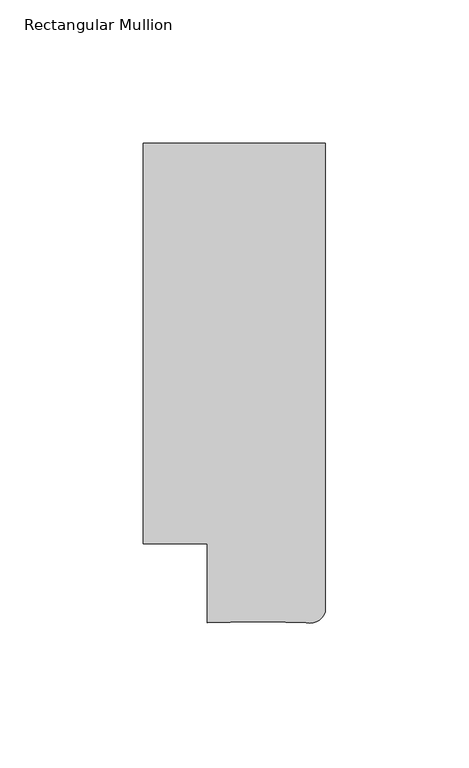
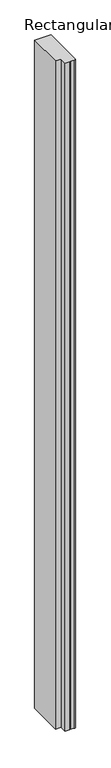
"""IFC4 building model written with IfcOpenShell, lengths in millimetres: member geometry, Rectangular Mullion."""

from ifc_helpers import new_model, si_unit, point, frame, frame_2d, origin, place, context, project, spatial, polyline, circle_curve, trimmed, segment, composite_curve, outline, extrude, source, transform, mapped, element, save


def rectangular_mullion_c765a6d6(model_context):
    return source(origin(), model_context, "Body", "SweptSolid", [
        extrude(outline(composite_curve([segment(polyline([(-63.5, 139.6929896), (0.0, 139.6929896), (0.0, -23.8060059)]), True, "CONTINUOUS"), segment(trimmed(circle_curve(frame_2d((-5.5577367, -21.727811)), 5.9335766), [point((0.0, -23.8060059))], [point((-6.6765587, -27.5549516))], False, "CARTESIAN"), True, "CONTINUOUS"), segment(polyline([(-6.6765587, -27.5549516), (-21.1935714, -27.1215126), (-24.990061, -27.1215126), (-41.2794957, -27.5669145), (-41.2794957, -0.0070054), (-63.5, -0.0070054), (-63.5, 139.6929896)]), True, "CONTINUOUS")], self_intersect=False)), frame((0.0, 0.0, -2742.8456018), z_axis=(0.0, 0.0, 1.0), x_axis=(1.0, 0.0, 0.0)), (0.0, 0.0, 1.0), 2742.8456018),
    ])


if __name__ == "__main__":
    model = new_model("IFC4")
    model_context = context("Model", 3, world=origin())
    ifc_project = project(units=[si_unit("LENGTHUNIT", "METRE", prefix="MILLI")], contexts=[model_context])
    site = spatial("IfcSite", under=ifc_project)
    building = spatial("IfcBuilding", under=site)
    placement = place(None, origin())
    rectangular_mullion_shape = rectangular_mullion_c765a6d6(model_context)
    element("IfcMember", 1, ObjectType="Rectangular Mullion", at=placement, inside=building, context=model_context, shape_type="MappedRepresentation", body=[
        mapped(rectangular_mullion_shape, transform((0.0, 0.0, 0.0), x_axis=(1.0, 0.0, 0.0), y_axis=(0.0, 1.0, 0.0), z_axis=(0.0, 0.0, 1.0))),
    ])
    save(model, "model.ifc")
